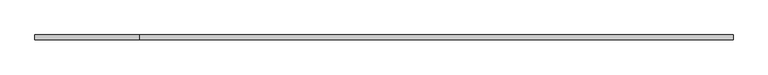
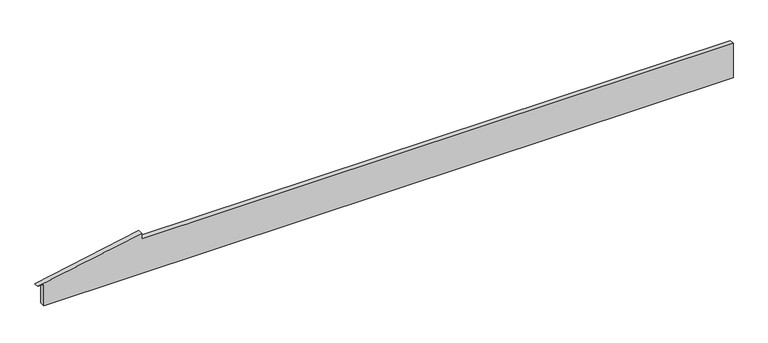
"""IFC4 building model written with IfcOpenShell, lengths in millimetres: plate geometry."""

import ifcopenshell
import ifcopenshell.guid

model = None  # the IFC model being written
_history = None  # IfcOwnerHistory: only IFC2X3 demands one
_inside = {}  # id of a spatial element -> (the spatial element, [elements in it])
_under = {}  # id of a project, library or spatial element -> (it, [spatial elements below it])
_declared = {}  # id of a project -> (the project, [libraries it declares])
_typed = {}  # id of a type object -> (the type object, [elements of that type])
_made_of = {}  # id of a material, layer set ... -> (it, [elements and type objects made of it])


def new_model(schema):
    """Start an empty IFC model of exactly this schema.

    Asked for "IFC4X3", IfcOpenShell would pick the latest addendum, in which some entities
    have other attributes; the version numbers below select the first issue.
    IFC2X3 requires an IfcOwnerHistory on every rooted entity: one is made here for all.
    """
    global model, _history
    if schema == "IFC4X3":
        model = ifcopenshell.file(schema_version=(4, 3, 0, 0))
    else:
        model = ifcopenshell.file(schema=schema)
    _inside.clear()
    _under.clear()
    _declared.clear()
    _typed.clear()
    _made_of.clear()
    _history = None
    if model.schema == "IFC2X3":
        org = make("IfcOrganization", Name="unknown")
        user = make(
            "IfcPersonAndOrganization",
            ThePerson=make("IfcPerson", FamilyName="unknown"),
            TheOrganization=org,
        )
        app = make(
            "IfcApplication",
            ApplicationDeveloper=org,
            Version="unknown",
            ApplicationFullName="unknown",
            ApplicationIdentifier="unknown",
        )
        _history = make(
            "IfcOwnerHistory",
            OwningUser=user,
            OwningApplication=app,
            ChangeAction="ADDED",
            CreationDate=0,
        )
    return model


def make(cls, **values):
    """One entity of the class cls with the attributes given. An attribute that is None is left unset."""
    return model.create_entity(
        cls, **{name: value for name, value in values.items() if value is not None}
    )


def rooted(cls, **values):
    """An entity with a GlobalId (a new one), such as an element, a storey or a relation."""
    return make(cls, GlobalId=ifcopenshell.guid.new(), OwnerHistory=_history, **values)


def si_unit(unit_type, name, prefix=None):
    """IfcSIUnit, for example si_unit("LENGTHUNIT", "METRE", prefix="MILLI")."""
    return make("IfcSIUnit", UnitType=unit_type, Prefix=prefix, Name=name)


def assignment(units):
    """IfcUnitAssignment: the units of a project."""
    return None if units is None else make("IfcUnitAssignment", Units=units)


def point(xyz):
    """IfcCartesianPoint."""
    return None if xyz is None else make("IfcCartesianPoint", Coordinates=xyz)


def direction(xyz):
    """IfcDirection."""
    return None if xyz is None else make("IfcDirection", DirectionRatios=xyz)


def frame(location, z_axis=None, x_axis=None):
    """IfcAxis2Placement3D, a coordinate frame: its origin and axes. An axis left out is left unset."""
    return make(
        "IfcAxis2Placement3D",
        Location=point(location),
        Axis=direction(z_axis),
        RefDirection=direction(x_axis),
    )


def origin():
    """The frame at (0, 0, 0) with its axes left unset."""
    return frame((0.0, 0.0, 0.0))


def place(relative_to, where):
    """IfcLocalPlacement: puts the frame where relative to a parent placement (None: the world)."""
    return make(
        "IfcLocalPlacement", PlacementRelTo=relative_to, RelativePlacement=where
    )


def context(
    kind, dimensions, precision=None, world=None, true_north=None, identifier=None
):
    """IfcGeometricRepresentationContext, for example the 3D "Model" context."""
    return make(
        "IfcGeometricRepresentationContext",
        ContextIdentifier=identifier,
        ContextType=kind,
        CoordinateSpaceDimension=dimensions,
        Precision=precision,
        WorldCoordinateSystem=world,
        TrueNorth=true_north,
    )


def project(units=None, contexts=None):
    """IfcProject with its units and contexts."""
    return rooted(
        "IfcProject",
        Name="project",
        RepresentationContexts=contexts,
        UnitsInContext=assignment(units),
    )


def spatial(cls, under=None, at=None, **own):
    """A site, building, storey or space (cls), placed at a placement, below another one or the project."""
    s = rooted(cls, ObjectPlacement=at, **own)
    if under is not None:
        _under.setdefault(under.id(), (under, []))[1].append(s)
    return s


def polyline(points):
    """IfcPolyline through the points."""
    return make("IfcPolyline", Points=[point(p) for p in points])


def outline(outer, holes=None, kind="AREA"):
    """IfcArbitraryClosedProfileDef: a profile drawn as a closed curve; with holes, ...WithVoids."""
    if holes is None:
        return make("IfcArbitraryClosedProfileDef", ProfileType=kind, OuterCurve=outer)
    return make(
        "IfcArbitraryProfileDefWithVoids",
        ProfileType=kind,
        OuterCurve=outer,
        InnerCurves=holes,
    )


def extrude(swept, where, along, depth):
    """IfcExtrudedAreaSolid: the profile swept, set in the frame where, extruded along a direction by depth."""
    return make(
        "IfcExtrudedAreaSolid",
        SweptArea=swept,
        Position=where,
        ExtrudedDirection=direction(along),
        Depth=depth,
    )


def shape(context_of_items, identifier, shape_type, items):
    """IfcShapeRepresentation: the items that make up one representation, for example the "Body"."""
    return make(
        "IfcShapeRepresentation",
        ContextOfItems=context_of_items,
        RepresentationIdentifier=identifier,
        RepresentationType=shape_type,
        Items=items,
    )


def source(mapping_origin, context_of_items, identifier, shape_type, items):
    """IfcRepresentationMap: a shape defined once, which mapped items show again and again."""
    return make(
        "IfcRepresentationMap",
        MappingOrigin=mapping_origin,
        MappedRepresentation=shape(context_of_items, identifier, shape_type, items),
    )


def transform(
    local_origin,
    x_axis=None,
    y_axis=None,
    z_axis=None,
    scale=None,
    scale2=None,
    scale3=None,
    uniform=True,
):
    """IfcCartesianTransformationOperator3D, or its non-uniform kind. x_axis, y_axis, z_axis: its Axis1, 2, 3."""
    if uniform:
        return make(
            "IfcCartesianTransformationOperator3D",
            Axis1=direction(x_axis),
            Axis2=direction(y_axis),
            LocalOrigin=point(local_origin),
            Scale=scale,
            Axis3=direction(z_axis),
        )
    return make(
        "IfcCartesianTransformationOperator3DnonUniform",
        Axis1=direction(x_axis),
        Axis2=direction(y_axis),
        LocalOrigin=point(local_origin),
        Scale=scale,
        Axis3=direction(z_axis),
        Scale2=scale2,
        Scale3=scale3,
    )


def mapped(mapping_source, mapping_target):
    """IfcMappedItem: shows the shape of a source again, moved by a transform."""
    return make(
        "IfcMappedItem", MappingSource=mapping_source, MappingTarget=mapping_target
    )


def made_of(thing, what):
    """Note that an element or type object is made of a material, layer set ...; save() writes the relation."""
    if what is not None:
        _made_of.setdefault(what.id(), (what, []))[1].append(thing)
    return thing


def element(
    cls,
    number,
    at=None,
    inside=None,
    cuts=None,
    type_object=None,
    material=None,
    context=None,
    identifier="Body",
    shape_type=None,
    held_by="IfcProductDefinitionShape",
    body=None,
    shapes=None,
    **own,
):
    """One element of the class cls, such as IfcWall. Its Tag is "e" and its number.

    at: its placement. inside: the storey or other place that contains it. cuts: it is an
    opening in that element (IfcRelVoidsElement). A single representation is given by context,
    identifier, shape_type and body (its items); several are given by shapes. held_by: the class
    of the entity that holds the representations. save() writes the other relations.
    """
    e = rooted(cls, Tag="e%d" % number, ObjectPlacement=at, **own)
    if body is not None:
        shapes = [shape(context, identifier, shape_type, body)]
    if shapes is not None:
        e.Representation = make(held_by, Representations=shapes)
    if inside is not None:
        _inside.setdefault(inside.id(), (inside, []))[1].append(e)
    if cuts is not None:
        rooted(
            "IfcRelVoidsElement", RelatingBuildingElement=cuts, RelatedOpeningElement=e
        )
    if type_object is not None:
        _typed.setdefault(type_object.id(), (type_object, []))[1].append(e)
    return made_of(e, material)


def aggregate(whole, parts):
    """IfcRelAggregates: a whole, such as a stair, and the parts it consists of."""
    return rooted("IfcRelAggregates", RelatingObject=whole, RelatedObjects=parts)


def save(model, path):
    """Write the relations noted so far, then the file.

    IfcRelAggregates (storeys below a building ...), IfcRelContainedInSpatialStructure (elements
    in a storey), IfcRelDefinesByType, IfcRelAssociatesMaterial and IfcRelDeclares: one each for
    every whole, place, type object, material and project.
    """
    for whole, parts in _under.values():
        aggregate(whole, parts)
    for where, things in _inside.values():
        rooted(
            "IfcRelContainedInSpatialStructure",
            RelatedElements=things,
            RelatingStructure=where,
        )
    for kind, things in _typed.values():
        rooted("IfcRelDefinesByType", RelatedObjects=things, RelatingType=kind)
    for what, things in _made_of.values():
        rooted("IfcRelAssociatesMaterial", RelatedObjects=things, RelatingMaterial=what)
    for by, libraries in _declared.values():
        rooted("IfcRelDeclares", RelatingContext=by, RelatedDefinitions=libraries)
    model.write(path)


def plate_ab8d366e(model_context):
    return source(origin(), model_context, "Body", "SweptSolid", [
        extrude(outline(polyline([(0.0, -1409.1666667), (0.0, 1434.1666667), (150.0, 1434.1666667), (150.0, -1005.0897096), (175.0, -1005.0897096), (92.9157126, -1434.1666667), (92.9157126, -1409.1666667), (0.0, -1409.1666667)])), frame((0.0, 20.0, 0.0), z_axis=(0.0, 1.0, 0.0), x_axis=(0.0, 0.0, 1.0)), (0.0, 0.0, 1.0), 20.0),
    ])


if __name__ == "__main__":
    model = new_model("IFC4")
    model_context = context("Model", 3, world=origin())
    ifc_project = project(units=[si_unit("LENGTHUNIT", "METRE", prefix="MILLI")], contexts=[model_context])
    site = spatial("IfcSite", under=ifc_project)
    building = spatial("IfcBuilding", under=site)
    placement = place(None, origin())
    plate_shape = plate_ab8d366e(model_context)
    element("IfcPlate", 1, at=placement, inside=building, context=model_context, shape_type="MappedRepresentation", body=[
        mapped(plate_shape, transform((0.0, 0.0, 0.0), x_axis=(1.0, 0.0, 0.0), y_axis=(0.0, 1.0, 0.0), z_axis=(0.0, 0.0, 1.0))),
    ])
    save(model, "model.ifc")
